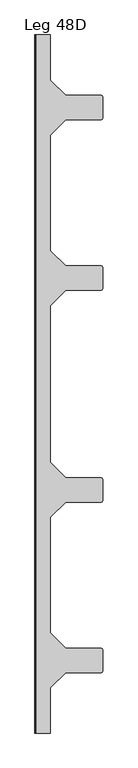
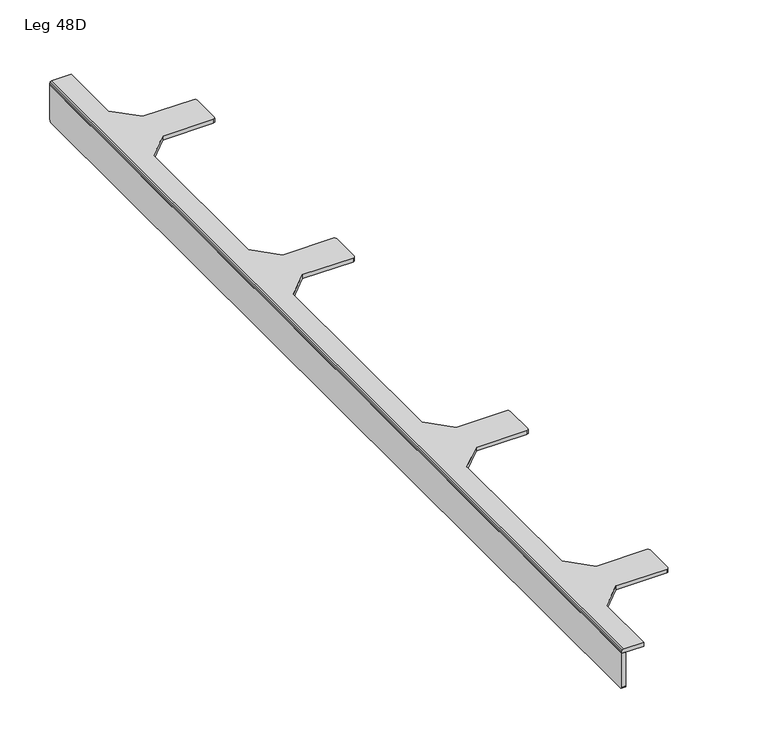
"""IFC4 building model written with IfcOpenShell, lengths in millimetres: furniture geometry, Leg 48D."""

from ifc_helpers import new_model, si_unit, frame, origin, place, context, project, spatial, polyline, outline, extrude, faceted_brep, source, transform, mapped, element, save


def leg_48d_7ca623d7(model_context):
    return source(origin(), model_context, "Body", "SolidModel", [
        extrude(outline(polyline([(-576.58, 325.4444763), (576.58, 325.4444763), (576.58, 284.0426034), (575.7679808, 282.0822248), (574.0002108, 281.3499658), (-574.0001898, 281.3499658), (-575.7679802, 282.0822085), (-576.58, 284.0425978), (-576.58, 325.4444763)])), frame((0.0, 0.0, 0.0), z_axis=(1.0, 0.0, 0.0), x_axis=(0.0, 1.0, 0.0)), (0.0, 0.0, 1.0), 4.75552),
        faceted_brep([(25.4000008, -576.58, 330.2), (25.4000008, -501.9800113, 330.2), (50.8000015, -476.5799992, 330.2), (109.8100034, -476.5799992, 330.2), (111.5777643, -475.8477765, 330.2), (112.3099961, -474.0800065, 330.2), (112.3099961, -439.079999, 330.2), (111.5777643, -437.3122289, 330.2), (109.8100034, -436.5800062, 330.2), (50.8000015, -436.5800062, 330.2), (25.4000008, -411.1799941, 330.2), (25.4000008, -220.3999918, 330.2), (50.8000015, -194.9999979, 330.2), (109.8100034, -194.9999979, 330.2), (111.5777643, -194.2677751, 330.2), (112.3099961, -192.5000051, 330.2), (112.3099961, -157.4999976, 330.2), (111.5777643, -155.7322276, 330.2), (109.8100034, -155.0000048, 330.2), (50.8000015, -155.0000048, 330.2), (25.4000008, -129.6000018, 330.2), (25.4000008, 129.6000018, 330.2), (50.8000015, 155.0000048, 330.2), (109.8100034, 155.0000048, 330.2), (111.5777643, 155.7322276, 330.2), (112.3099961, 157.4999976, 330.2), (112.3099961, 192.5000051, 330.2), (111.5777643, 194.2677751, 330.2), (109.8100034, 194.9999979, 330.2), (50.8000015, 194.9999979, 330.2), (25.4000008, 220.3999918, 330.2), (25.4000008, 411.1799941, 330.2), (50.8000015, 436.5800062, 330.2), (109.8100034, 436.5800062, 330.2), (111.5777643, 437.3122289, 330.2), (112.3099961, 439.079999, 330.2), (112.3099961, 474.0800065, 330.2), (111.5777643, 475.8477765, 330.2), (109.8100034, 476.5799992, 330.2), (50.8000015, 476.5799992, 330.2), (25.4000008, 501.9800113, 330.2), (25.4000008, 576.58, 330.2), (2.5000001, 576.58, 330.2), (2.5000001, -576.58, 330.2), (0.0, -576.58, 325.4444763), (0.0, 576.58, 325.4444763), (25.4000008, 576.58, 325.4444763), (25.4000008, 501.9800113, 325.4444763), (50.8000015, 476.5799992, 325.4444763), (109.8100034, 476.5799992, 325.4444763), (111.5777643, 475.8477765, 325.4444763), (112.3099961, 474.0800065, 325.4444763), (112.3099961, 439.079999, 325.4444763), (111.5777643, 437.3122289, 325.4444763), (109.8100034, 436.5800062, 325.4444763), (50.8000015, 436.5800062, 325.4444763), (25.4000008, 411.1799941, 325.4444763), (25.4000008, 220.3999918, 325.4444763), (50.8000015, 194.9999979, 325.4444763), (109.8100034, 194.9999979, 325.4444763), (111.5777643, 194.2677751, 325.4444763), (112.3099961, 192.5000051, 325.4444763), (112.3099961, 157.4999976, 325.4444763), (111.5777643, 155.7322276, 325.4444763), (109.8100034, 155.0000048, 325.4444763), (50.8000015, 155.0000048, 325.4444763), (25.4000008, 129.6000018, 325.4444763), (25.4000008, -129.6000018, 325.4444763), (50.8000015, -155.0000048, 325.4444763), (109.8100034, -155.0000048, 325.4444763), (111.5777643, -155.7322276, 325.4444763), (112.3099961, -157.4999976, 325.4444763), (112.3099961, -192.5000051, 325.4444763), (111.5777643, -194.2677751, 325.4444763), (109.8100034, -194.9999979, 325.4444763), (50.8000015, -194.9999979, 325.4444763), (25.4000008, -220.3999918, 325.4444763), (25.4000008, -411.1799941, 325.4444763), (50.8000015, -436.5800062, 325.4444763), (109.8100034, -436.5800062, 325.4444763), (111.5777643, -437.3122289, 325.4444763), (112.3099961, -439.079999, 325.4444763), (112.3099961, -474.0800065, 325.4444763), (111.5777643, -475.8477765, 325.4444763), (109.8100034, -476.5799992, 325.4444763), (50.8000015, -476.5799992, 325.4444763), (25.4000008, -501.9800113, 325.4444763), (25.4000008, -576.58, 325.4444763), (0.732233, -576.58, 329.4677773), (0.0, -576.58, 327.7000072), (0.0, 576.58, 327.7000072), (0.732233, 576.58, 329.4677773)], [[[0, 1, 2, 3, 4, 5, 6, 7, 8, 9, 10, 11, 12, 13, 14, 15, 16, 17, 18, 19, 20, 21, 22, 23, 24, 25, 26, 27, 28, 29, 30, 31, 32, 33, 34, 35, 36, 37, 38, 39, 40, 41, 42, 43]], [[44, 45, 46, 47, 48, 49, 50, 51, 52, 53, 54, 55, 56, 57, 58, 59, 60, 61, 62, 63, 64, 65, 66, 67, 68, 69, 70, 71, 72, 73, 74, 75, 76, 77, 78, 79, 80, 81, 82, 83, 84, 85, 86, 87]], [[44, 87, 0, 43, 88, 89]], [[1, 0, 87, 86]], [[2, 1, 86, 85]], [[3, 2, 85, 84]], [[4, 3, 84, 83]], [[5, 4, 83, 82]], [[6, 5, 82, 81]], [[7, 6, 81, 80]], [[8, 7, 80, 79]], [[9, 8, 79, 78]], [[10, 9, 78, 77]], [[31, 30, 57, 56]], [[32, 31, 56, 55]], [[33, 32, 55, 54]], [[34, 33, 54, 53]], [[35, 34, 53, 52]], [[36, 35, 52, 51]], [[37, 36, 51, 50]], [[38, 37, 50, 49]], [[39, 38, 49, 48]], [[40, 39, 48, 47]], [[41, 40, 47, 46]], [[46, 45, 90, 91, 42, 41]], [[45, 44, 89, 90]], [[11, 10, 77, 76]], [[12, 11, 76, 75]], [[13, 12, 75, 74]], [[14, 13, 74, 73]], [[15, 14, 73, 72]], [[16, 15, 72, 71]], [[17, 16, 71, 70]], [[18, 17, 70, 69]], [[19, 18, 69, 68]], [[20, 19, 68, 67]], [[21, 20, 67, 66]], [[22, 21, 66, 65]], [[23, 22, 65, 64]], [[24, 23, 64, 63]], [[25, 24, 63, 62]], [[26, 25, 62, 61]], [[27, 26, 61, 60]], [[28, 27, 60, 59]], [[29, 28, 59, 58]], [[30, 29, 58, 57]], [[91, 88, 43, 42]], [[88, 91, 90, 89]]]),
    ])


if __name__ == "__main__":
    model = new_model("IFC4")
    model_context = context("Model", 3, world=origin())
    ifc_project = project(units=[si_unit("LENGTHUNIT", "METRE", prefix="MILLI")], contexts=[model_context])
    site = spatial("IfcSite", under=ifc_project)
    building = spatial("IfcBuilding", under=site)
    placement = place(None, origin())
    leg_48d_shape = leg_48d_7ca623d7(model_context)
    element("IfcFurniture", 1, ObjectType="Leg 48D", at=placement, inside=building, context=model_context, shape_type="MappedRepresentation", body=[
        mapped(leg_48d_shape, transform((0.0, 0.0, 0.0), x_axis=(1.0, 0.0, 0.0), y_axis=(0.0, 1.0, 0.0), z_axis=(0.0, 0.0, 1.0))),
    ])
    save(model, "model.ifc")
